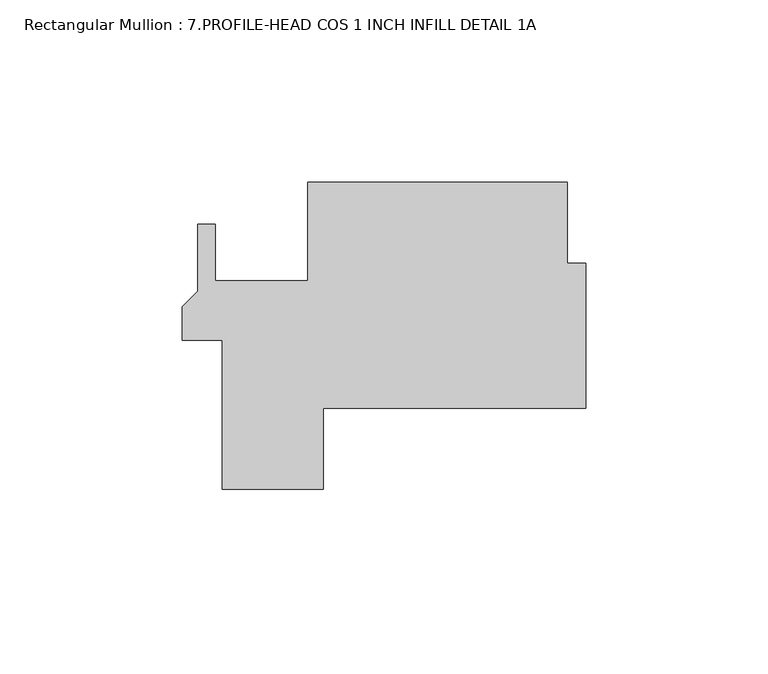
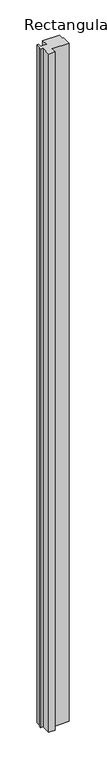
"""IFC4 building model written with IfcOpenShell, lengths in millimetres: member geometry, Rectangular Mullion : 7.PROFILE-HEAD COS 1 INCH INFILL DETAIL 1A."""

from ifc_helpers import new_model, si_unit, frame, origin, place, context, project, spatial, polyline, outline, extrude, source, transform, mapped, element, save


def rectangular_mullion_7_profile_head_cos_1_inch_infill_detail_490768a6(model_context):
    return source(origin(), model_context, "Body", "SweptSolid", [
        extrude(outline(polyline([(-5.0839665, 71.4375), (0.0, 71.4375), (0.0, 31.75), (-71.8827939, 31.75), (-71.8827939, 9.525), (-99.5687939, 9.525), (-99.5687939, 50.4261495), (-110.5662, 50.4261495), (-110.5662, 59.5264417), (-106.299, 63.7936417), (-106.299, 82.1761495), (-101.5999999, 82.1761495), (-101.5999999, 66.675), (-76.2039665, 66.675), (-76.2039665, 93.6625), (-5.0839665, 93.6625), (-5.0839665, 71.4375)])), frame((0.0, 0.0, -3048.0), z_axis=(0.0, 0.0, 1.0), x_axis=(1.0, 0.0, 0.0)), (0.0, 0.0, 1.0), 3048.0),
    ])


if __name__ == "__main__":
    model = new_model("IFC4")
    model_context = context("Model", 3, world=origin())
    ifc_project = project(units=[si_unit("LENGTHUNIT", "METRE", prefix="MILLI")], contexts=[model_context])
    site = spatial("IfcSite", under=ifc_project)
    building = spatial("IfcBuilding", under=site)
    placement = place(None, origin())
    rectangular_mullion_7_profile_head_cos_1_inch_infill_detail_shape = rectangular_mullion_7_profile_head_cos_1_inch_infill_detail_490768a6(model_context)
    element("IfcMember", 1, ObjectType="Rectangular Mullion : 7.PROFILE-HEAD COS 1 INCH INFILL DETAIL 1A", at=placement, inside=building, context=model_context, shape_type="MappedRepresentation", body=[
        mapped(rectangular_mullion_7_profile_head_cos_1_inch_infill_detail_shape, transform((0.0, 0.0, 0.0), x_axis=(1.0, 0.0, 0.0), y_axis=(0.0, 1.0, 0.0), z_axis=(0.0, 0.0, 1.0))),
    ])
    save(model, "model.ifc")
